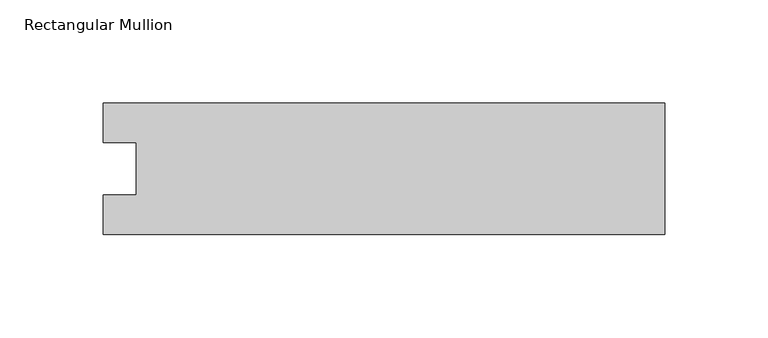
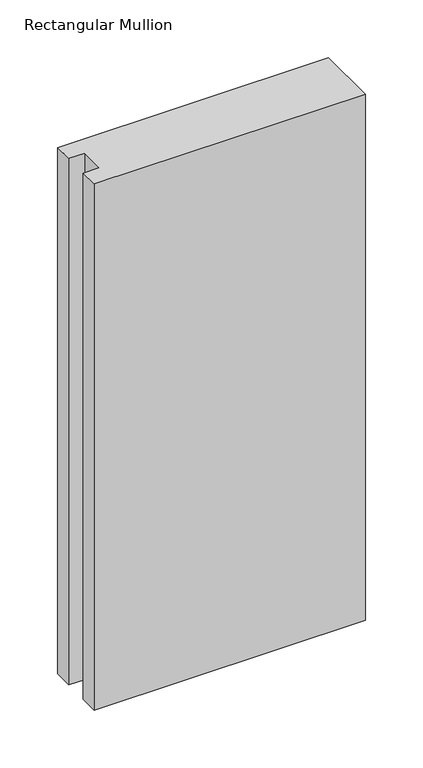
"""IFC4 building model written with IfcOpenShell, lengths in millimetres: member geometry, Rectangular Mullion."""

import ifcopenshell
import ifcopenshell.guid

model = None  # the IFC model being written
_history = None  # IfcOwnerHistory: only IFC2X3 demands one
_inside = {}  # id of a spatial element -> (the spatial element, [elements in it])
_under = {}  # id of a project, library or spatial element -> (it, [spatial elements below it])
_declared = {}  # id of a project -> (the project, [libraries it declares])
_typed = {}  # id of a type object -> (the type object, [elements of that type])
_made_of = {}  # id of a material, layer set ... -> (it, [elements and type objects made of it])


def new_model(schema):
    """Start an empty IFC model of exactly this schema.

    Asked for "IFC4X3", IfcOpenShell would pick the latest addendum, in which some entities
    have other attributes; the version numbers below select the first issue.
    IFC2X3 requires an IfcOwnerHistory on every rooted entity: one is made here for all.
    """
    global model, _history
    if schema == "IFC4X3":
        model = ifcopenshell.file(schema_version=(4, 3, 0, 0))
    else:
        model = ifcopenshell.file(schema=schema)
    _inside.clear()
    _under.clear()
    _declared.clear()
    _typed.clear()
    _made_of.clear()
    _history = None
    if model.schema == "IFC2X3":
        org = make("IfcOrganization", Name="unknown")
        user = make(
            "IfcPersonAndOrganization",
            ThePerson=make("IfcPerson", FamilyName="unknown"),
            TheOrganization=org,
        )
        app = make(
            "IfcApplication",
            ApplicationDeveloper=org,
            Version="unknown",
            ApplicationFullName="unknown",
            ApplicationIdentifier="unknown",
        )
        _history = make(
            "IfcOwnerHistory",
            OwningUser=user,
            OwningApplication=app,
            ChangeAction="ADDED",
            CreationDate=0,
        )
    return model


def make(cls, **values):
    """One entity of the class cls with the attributes given. An attribute that is None is left unset."""
    return model.create_entity(
        cls, **{name: value for name, value in values.items() if value is not None}
    )


def rooted(cls, **values):
    """An entity with a GlobalId (a new one), such as an element, a storey or a relation."""
    return make(cls, GlobalId=ifcopenshell.guid.new(), OwnerHistory=_history, **values)


def si_unit(unit_type, name, prefix=None):
    """IfcSIUnit, for example si_unit("LENGTHUNIT", "METRE", prefix="MILLI")."""
    return make("IfcSIUnit", UnitType=unit_type, Prefix=prefix, Name=name)


def assignment(units):
    """IfcUnitAssignment: the units of a project."""
    return None if units is None else make("IfcUnitAssignment", Units=units)


def point(xyz):
    """IfcCartesianPoint."""
    return None if xyz is None else make("IfcCartesianPoint", Coordinates=xyz)


def direction(xyz):
    """IfcDirection."""
    return None if xyz is None else make("IfcDirection", DirectionRatios=xyz)


def frame(location, z_axis=None, x_axis=None):
    """IfcAxis2Placement3D, a coordinate frame: its origin and axes. An axis left out is left unset."""
    return make(
        "IfcAxis2Placement3D",
        Location=point(location),
        Axis=direction(z_axis),
        RefDirection=direction(x_axis),
    )


def origin():
    """The frame at (0, 0, 0) with its axes left unset."""
    return frame((0.0, 0.0, 0.0))


def place(relative_to, where):
    """IfcLocalPlacement: puts the frame where relative to a parent placement (None: the world)."""
    return make(
        "IfcLocalPlacement", PlacementRelTo=relative_to, RelativePlacement=where
    )


def context(
    kind, dimensions, precision=None, world=None, true_north=None, identifier=None
):
    """IfcGeometricRepresentationContext, for example the 3D "Model" context."""
    return make(
        "IfcGeometricRepresentationContext",
        ContextIdentifier=identifier,
        ContextType=kind,
        CoordinateSpaceDimension=dimensions,
        Precision=precision,
        WorldCoordinateSystem=world,
        TrueNorth=true_north,
    )


def project(units=None, contexts=None):
    """IfcProject with its units and contexts."""
    return rooted(
        "IfcProject",
        Name="project",
        RepresentationContexts=contexts,
        UnitsInContext=assignment(units),
    )


def spatial(cls, under=None, at=None, **own):
    """A site, building, storey or space (cls), placed at a placement, below another one or the project."""
    s = rooted(cls, ObjectPlacement=at, **own)
    if under is not None:
        _under.setdefault(under.id(), (under, []))[1].append(s)
    return s


def polyline(points):
    """IfcPolyline through the points."""
    return make("IfcPolyline", Points=[point(p) for p in points])


def outline(outer, holes=None, kind="AREA"):
    """IfcArbitraryClosedProfileDef: a profile drawn as a closed curve; with holes, ...WithVoids."""
    if holes is None:
        return make("IfcArbitraryClosedProfileDef", ProfileType=kind, OuterCurve=outer)
    return make(
        "IfcArbitraryProfileDefWithVoids",
        ProfileType=kind,
        OuterCurve=outer,
        InnerCurves=holes,
    )


def extrude(swept, where, along, depth):
    """IfcExtrudedAreaSolid: the profile swept, set in the frame where, extruded along a direction by depth."""
    return make(
        "IfcExtrudedAreaSolid",
        SweptArea=swept,
        Position=where,
        ExtrudedDirection=direction(along),
        Depth=depth,
    )


def shape(context_of_items, identifier, shape_type, items):
    """IfcShapeRepresentation: the items that make up one representation, for example the "Body"."""
    return make(
        "IfcShapeRepresentation",
        ContextOfItems=context_of_items,
        RepresentationIdentifier=identifier,
        RepresentationType=shape_type,
        Items=items,
    )


def source(mapping_origin, context_of_items, identifier, shape_type, items):
    """IfcRepresentationMap: a shape defined once, which mapped items show again and again."""
    return make(
        "IfcRepresentationMap",
        MappingOrigin=mapping_origin,
        MappedRepresentation=shape(context_of_items, identifier, shape_type, items),
    )


def transform(
    local_origin,
    x_axis=None,
    y_axis=None,
    z_axis=None,
    scale=None,
    scale2=None,
    scale3=None,
    uniform=True,
):
    """IfcCartesianTransformationOperator3D, or its non-uniform kind. x_axis, y_axis, z_axis: its Axis1, 2, 3."""
    if uniform:
        return make(
            "IfcCartesianTransformationOperator3D",
            Axis1=direction(x_axis),
            Axis2=direction(y_axis),
            LocalOrigin=point(local_origin),
            Scale=scale,
            Axis3=direction(z_axis),
        )
    return make(
        "IfcCartesianTransformationOperator3DnonUniform",
        Axis1=direction(x_axis),
        Axis2=direction(y_axis),
        LocalOrigin=point(local_origin),
        Scale=scale,
        Axis3=direction(z_axis),
        Scale2=scale2,
        Scale3=scale3,
    )


def mapped(mapping_source, mapping_target):
    """IfcMappedItem: shows the shape of a source again, moved by a transform."""
    return make(
        "IfcMappedItem", MappingSource=mapping_source, MappingTarget=mapping_target
    )


def made_of(thing, what):
    """Note that an element or type object is made of a material, layer set ...; save() writes the relation."""
    if what is not None:
        _made_of.setdefault(what.id(), (what, []))[1].append(thing)
    return thing


def element(
    cls,
    number,
    at=None,
    inside=None,
    cuts=None,
    type_object=None,
    material=None,
    context=None,
    identifier="Body",
    shape_type=None,
    held_by="IfcProductDefinitionShape",
    body=None,
    shapes=None,
    **own,
):
    """One element of the class cls, such as IfcWall. Its Tag is "e" and its number.

    at: its placement. inside: the storey or other place that contains it. cuts: it is an
    opening in that element (IfcRelVoidsElement). A single representation is given by context,
    identifier, shape_type and body (its items); several are given by shapes. held_by: the class
    of the entity that holds the representations. save() writes the other relations.
    """
    e = rooted(cls, Tag="e%d" % number, ObjectPlacement=at, **own)
    if body is not None:
        shapes = [shape(context, identifier, shape_type, body)]
    if shapes is not None:
        e.Representation = make(held_by, Representations=shapes)
    if inside is not None:
        _inside.setdefault(inside.id(), (inside, []))[1].append(e)
    if cuts is not None:
        rooted(
            "IfcRelVoidsElement", RelatingBuildingElement=cuts, RelatedOpeningElement=e
        )
    if type_object is not None:
        _typed.setdefault(type_object.id(), (type_object, []))[1].append(e)
    return made_of(e, material)


def aggregate(whole, parts):
    """IfcRelAggregates: a whole, such as a stair, and the parts it consists of."""
    return rooted("IfcRelAggregates", RelatingObject=whole, RelatedObjects=parts)


def save(model, path):
    """Write the relations noted so far, then the file.

    IfcRelAggregates (storeys below a building ...), IfcRelContainedInSpatialStructure (elements
    in a storey), IfcRelDefinesByType, IfcRelAssociatesMaterial and IfcRelDeclares: one each for
    every whole, place, type object, material and project.
    """
    for whole, parts in _under.values():
        aggregate(whole, parts)
    for where, things in _inside.values():
        rooted(
            "IfcRelContainedInSpatialStructure",
            RelatedElements=things,
            RelatingStructure=where,
        )
    for kind, things in _typed.values():
        rooted("IfcRelDefinesByType", RelatedObjects=things, RelatingType=kind)
    for what, things in _made_of.values():
        rooted("IfcRelAssociatesMaterial", RelatedObjects=things, RelatingMaterial=what)
    for by, libraries in _declared.values():
        rooted("IfcRelDeclares", RelatingContext=by, RelatedDefinitions=libraries)
    model.write(path)


def rectangular_mullion_dd6b070c(model_context):
    return source(origin(), model_context, "Body", "SweptSolid", [
        extrude(outline(polyline([(-271.2568015, 31.7489583), (0.0, 31.7489583), (0.0, -31.7489583), (-271.2568015, -31.7489583), (-271.2568015, -12.7), (-255.3707024, -12.7), (-255.3707024, 12.7), (-271.2568015, 12.7), (-271.2568015, 31.7489583)])), frame((0.0, 0.0, -556.5267), z_axis=(0.0, 0.0, 1.0), x_axis=(1.0, 0.0, 0.0)), (0.0, 0.0, 1.0), 556.5267),
    ])


if __name__ == "__main__":
    model = new_model("IFC4")
    model_context = context("Model", 3, world=origin())
    ifc_project = project(units=[si_unit("LENGTHUNIT", "METRE", prefix="MILLI")], contexts=[model_context])
    site = spatial("IfcSite", under=ifc_project)
    building = spatial("IfcBuilding", under=site)
    placement = place(None, origin())
    rectangular_mullion_shape = rectangular_mullion_dd6b070c(model_context)
    element("IfcMember", 1, ObjectType="Rectangular Mullion", at=placement, inside=building, context=model_context, shape_type="MappedRepresentation", body=[
        mapped(rectangular_mullion_shape, transform((0.0, 0.0, 0.0), x_axis=(1.0, 0.0, 0.0), y_axis=(0.0, 1.0, 0.0), z_axis=(0.0, 0.0, 1.0))),
    ])
    save(model, "model.ifc")
